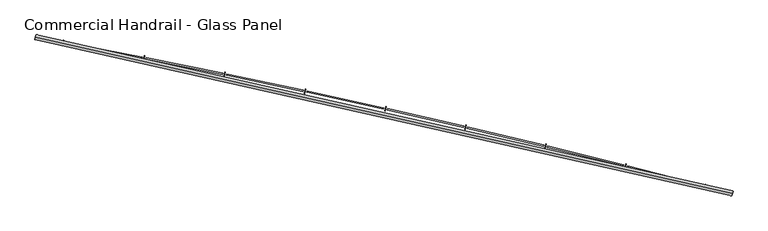
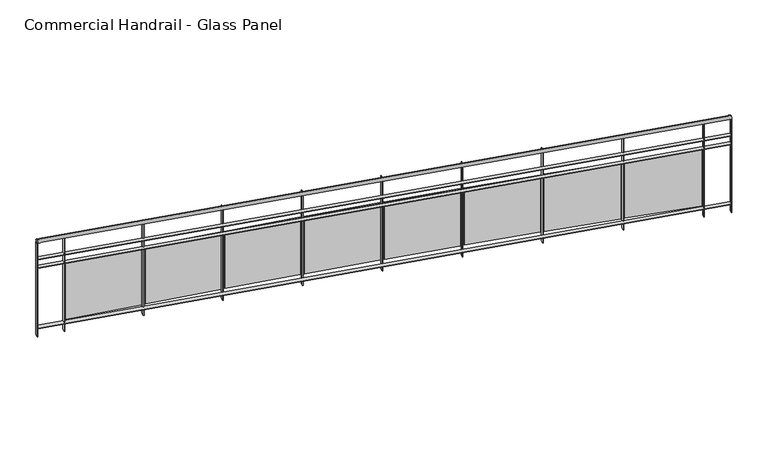
"""IFC4 building model written with IfcOpenShell, lengths in millimetres: railing geometry, Commercial Handrail - Glass Panel."""

from ifc_helpers import new_model, si_unit, point, frame, origin, place, context, project, spatial, polyline, circle_curve, ellipse_curve, trimmed, outline, extrude, source, transform, mapped, element, save
from ifc_brep_helpers import plane_surface, cylinder_surface, revolved_surface, advanced_brep


def commercial_handrail_glass_panel_0e33a287(model_context):
    return source(origin(), model_context, "Body", "SolidModel", [
        advanced_brep(
        [(147529.5593555, -11171.1779597, 16282.5), (140754.7489821, -9648.612099, 16282.5), (140754.7489821, -9648.612099, 16317.5), (147529.5593555, -11171.1779597, 16317.5)],
        [
            (0, 1, circle_curve(frame((123990.1653691, -100078.2018552, 16282.5), z_axis=(0.0, 0.0, 1.0), x_axis=(0.18228230158229036, 0.9832462369772197, 0.0)), 91970.4407253)),
            (1, 2, ellipse_curve(frame((140754.7489821, -9648.612099, 16300.0), z_axis=(0.9832462369772187, -0.18228230158229672, 0.0), x_axis=(-0.1822823015822967, -0.9832462369772185, 0.0)), 25.0, 17.5)),
            (2, 3, circle_curve(frame((123990.1653691, -100078.2018552, 16317.5), z_axis=(0.0, 0.0, -1.0), x_axis=(0.18228230158229036, 0.9832462369772197, 0.0)), 91970.4407253)),
            (3, 0, ellipse_curve(frame((147529.5593555, -11171.1779597, 16300.0), z_axis=(-0.9666912890096803, 0.2559452124045356, 0.0), x_axis=(-0.2559452124045356, -0.9666912890096803, 0.0)), 25.0, 17.5)),
            (2, 1, ellipse_curve(frame((140754.7489821, -9648.612099, 16300.0), z_axis=(0.9832462369772187, -0.18228230158229672, 0.0), x_axis=(-0.1822823015822967, -0.9832462369772185, 0.0)), 25.0, 17.5)),
            (0, 3, ellipse_curve(frame((147529.5593555, -11171.1779597, 16300.0), z_axis=(-0.9666912890096803, 0.2559452124045356, 0.0), x_axis=(-0.2559452124045356, -0.9666912890096803, 0.0)), 25.0, 17.5)),
        ],
        [
            revolved_surface(trimmed(ellipse_curve(frame((140754.7489821, -9648.612099, 16300.0), z_axis=(-0.9832462369772197, 0.18228230158229036, 0.0), x_axis=(0.0, 0.0, -1.0)), 17.5, 25.0), [point((140754.7489821, -9648.612099, 16317.5))], [point((140754.7489821, -9648.612099, 16282.5))], True, "CARTESIAN"), (123990.1653691, -100078.2018552, 16300.0), (0.0, 0.0, -1.0)),
            revolved_surface(trimmed(ellipse_curve(frame((140754.7489821, -9648.612099, 16300.0), z_axis=(-0.9832462369772197, 0.18228230158229036, 0.0), x_axis=(0.0, 0.0, -1.0)), 17.5, 25.0), [point((140754.7489821, -9648.612099, 16282.5))], [point((140754.7489821, -9648.612099, 16317.5))], True, "CARTESIAN"), (123990.1653691, -100078.2018552, 16300.0), (0.0, 0.0, -1.0)),
            plane_surface(frame((140754.7489821, -9648.612099, 16300.0), z_axis=(-0.9832462369772198, 0.1822823015822904, 0.0), x_axis=(0.1822823015822904, 0.9832462369772198, 0.0))),
            plane_surface(frame((147529.5593555, -11171.1779597, 16300.0), z_axis=(0.9666912890096803, -0.25594521240453566, 0.0), x_axis=(0.25594521240453566, 0.9666912890096803, 0.0))),
        ],
        [
            (0, [[1, 2, 3, 4]]),
            (1, [[-3, 5, -1, 6]]),
            (2, [[-2, -5]]),
            (3, [[-6, -4]]),
        ],
    ),
        advanced_brep(
        [(147535.3181228, -11149.4274057, 16100.0), (140758.8503338, -9626.4890586, 16100.0), (140750.6476303, -9670.7351393, 16100.0), (147523.8005882, -11192.9285137, 16100.0), (147535.3181228, -11149.4274057, 16094.0), (140758.8503338, -9626.4890586, 16094.0), (147523.8005882, -11192.9285137, 16094.0), (140750.6476303, -9670.7351393, 16094.0)],
        [
            (0, 1, circle_curve(frame((123990.1653691, -100078.2018552, 16100.0), z_axis=(0.0, 0.0, 1.0), x_axis=(0.18228230158229036, 0.9832462369772197, 0.0)), 91992.9407253)),
            (1, 2),
            (2, 3, circle_curve(frame((123990.1653691, -100078.2018552, 16100.0), z_axis=(0.0, 0.0, -1.0), x_axis=(0.18228230158229036, 0.9832462369772197, 0.0)), 91947.9407253)),
            (3, 0),
            (4, 5, circle_curve(frame((123990.1653691, -100078.2018552, 16094.0), z_axis=(0.0, 0.0, 1.0), x_axis=(0.18228230158229036, 0.9832462369772197, 0.0)), 91992.9407253)),
            (5, 1),
            (0, 4),
            (6, 7, circle_curve(frame((123990.1653691, -100078.2018552, 16094.0), z_axis=(0.0, 0.0, 1.0), x_axis=(0.18228230158229036, 0.9832462369772197, 0.0)), 91947.9407253)),
            (7, 5),
            (4, 6),
            (2, 7),
            (6, 3),
        ],
        [
            plane_surface(frame((123990.1653691, -100078.2018552, 16100.0), z_axis=(0.0, 0.0, 1.0), x_axis=(0.18228230158229036, 0.9832462369772197, 0.0))),
            cylinder_surface(frame((123990.1653691, -100078.2018552, 16100.0), z_axis=(0.0, 0.0, -1.0), x_axis=(0.18228230158229036, 0.9832462369772197, 0.0)), 91992.9407253),
            plane_surface(frame((123990.1653691, -100078.2018552, 16094.0), z_axis=(0.0, 0.0, -1.0), x_axis=(0.18228230158229036, 0.9832462369772197, 0.0))),
            revolved_surface(polyline([(140750.6476302597, -9670.735139244323, 16094.0), (140750.6476302597, -9670.735139244323, 16100.0)]), (123990.1653691, -100078.2018552, 16100.0), (0.0, 0.0, -1.0)),
            plane_surface(frame((140754.7489821, -9648.612099, 16100.0), z_axis=(-0.9832462369772198, 0.1822823015822904, 0.0), x_axis=(0.1822823015822904, 0.9832462369772198, 0.0))),
            plane_surface(frame((147529.5593555, -11171.1779597, 16100.0), z_axis=(0.9666912890096803, -0.25594521240453566, 0.0), x_axis=(0.25594521240453566, 0.9666912890096803, 0.0))),
        ],
        [
            (0, [[1, 2, 3, 4]]),
            (1, [[5, 6, -1, 7]]),
            (2, [[8, 9, -5, 10]]),
            (3, [[-3, 11, -8, 12]]),
            (4, [[-2, -6, -9, -11]]),
            (5, [[-12, -10, -7, -4]]),
        ],
    ),
        advanced_brep(
        [(147535.3181228, -11149.4274057, 16000.0), (140758.8503338, -9626.4890586, 16000.0), (140750.6476303, -9670.7351393, 16000.0), (147523.8005882, -11192.9285137, 16000.0), (147535.3181228, -11149.4274057, 15994.0), (140758.8503338, -9626.4890586, 15994.0), (147523.8005882, -11192.9285137, 15994.0), (140750.6476303, -9670.7351393, 15994.0)],
        [
            (0, 1, circle_curve(frame((123990.1653691, -100078.2018552, 16000.0), z_axis=(0.0, 0.0, 1.0), x_axis=(0.18228230158229036, 0.9832462369772197, 0.0)), 91992.9407253)),
            (1, 2),
            (2, 3, circle_curve(frame((123990.1653691, -100078.2018552, 16000.0), z_axis=(0.0, 0.0, -1.0), x_axis=(0.18228230158229036, 0.9832462369772197, 0.0)), 91947.9407253)),
            (3, 0),
            (4, 5, circle_curve(frame((123990.1653691, -100078.2018552, 15994.0), z_axis=(0.0, 0.0, 1.0), x_axis=(0.18228230158229036, 0.9832462369772197, 0.0)), 91992.9407253)),
            (5, 1),
            (0, 4),
            (6, 7, circle_curve(frame((123990.1653691, -100078.2018552, 15994.0), z_axis=(0.0, 0.0, 1.0), x_axis=(0.18228230158229036, 0.9832462369772197, 0.0)), 91947.9407253)),
            (7, 5),
            (4, 6),
            (2, 7),
            (6, 3),
        ],
        [
            plane_surface(frame((123990.1653691, -100078.2018552, 16000.0), z_axis=(0.0, 0.0, 1.0), x_axis=(0.18228230158229036, 0.9832462369772197, 0.0))),
            cylinder_surface(frame((123990.1653691, -100078.2018552, 16000.0), z_axis=(0.0, 0.0, -1.0), x_axis=(0.18228230158229036, 0.9832462369772197, 0.0)), 91992.9407253),
            plane_surface(frame((123990.1653691, -100078.2018552, 15994.0), z_axis=(0.0, 0.0, -1.0), x_axis=(0.18228230158229036, 0.9832462369772197, 0.0))),
            revolved_surface(polyline([(140750.6476302597, -9670.735139244323, 15994.0), (140750.6476302597, -9670.735139244323, 16000.0)]), (123990.1653691, -100078.2018552, 16000.0), (0.0, 0.0, -1.0)),
            plane_surface(frame((140754.7489821, -9648.612099, 16000.0), z_axis=(-0.9832462369772198, 0.1822823015822904, 0.0), x_axis=(0.1822823015822904, 0.9832462369772198, 0.0))),
            plane_surface(frame((147529.5593555, -11171.1779597, 16000.0), z_axis=(0.9666912890096803, -0.25594521240453566, 0.0), x_axis=(0.25594521240453566, 0.9666912890096803, 0.0))),
        ],
        [
            (0, [[1, 2, 3, 4]]),
            (1, [[5, 6, -1, 7]]),
            (2, [[8, 9, -5, 10]]),
            (3, [[-3, 11, -8, 12]]),
            (4, [[-2, -6, -9, -11]]),
            (5, [[-12, -10, -7, -4]]),
        ],
    ),
        advanced_brep(
        [(147535.3181228, -11149.4274057, 15300.0), (140758.8503338, -9626.4890586, 15300.0), (140750.6476303, -9670.7351393, 15300.0), (147523.8005882, -11192.9285137, 15300.0), (147535.3181228, -11149.4274057, 15294.0), (140758.8503338, -9626.4890586, 15294.0), (147523.8005882, -11192.9285137, 15294.0), (140750.6476303, -9670.7351393, 15294.0)],
        [
            (0, 1, circle_curve(frame((123990.1653691, -100078.2018552, 15300.0), z_axis=(0.0, 0.0, 1.0), x_axis=(0.18228230158229036, 0.9832462369772197, 0.0)), 91992.9407253)),
            (1, 2),
            (2, 3, circle_curve(frame((123990.1653691, -100078.2018552, 15300.0), z_axis=(0.0, 0.0, -1.0), x_axis=(0.18228230158229036, 0.9832462369772197, 0.0)), 91947.9407253)),
            (3, 0),
            (4, 5, circle_curve(frame((123990.1653691, -100078.2018552, 15294.0), z_axis=(0.0, 0.0, 1.0), x_axis=(0.18228230158229036, 0.9832462369772197, 0.0)), 91992.9407253)),
            (5, 1),
            (0, 4),
            (6, 7, circle_curve(frame((123990.1653691, -100078.2018552, 15294.0), z_axis=(0.0, 0.0, 1.0), x_axis=(0.18228230158229036, 0.9832462369772197, 0.0)), 91947.9407253)),
            (7, 5),
            (4, 6),
            (2, 7),
            (6, 3),
        ],
        [
            plane_surface(frame((123990.1653691, -100078.2018552, 15300.0), z_axis=(0.0, 0.0, 1.0), x_axis=(0.18228230158229036, 0.9832462369772197, 0.0))),
            cylinder_surface(frame((123990.1653691, -100078.2018552, 15300.0), z_axis=(0.0, 0.0, -1.0), x_axis=(0.18228230158229036, 0.9832462369772197, 0.0)), 91992.9407253),
            plane_surface(frame((123990.1653691, -100078.2018552, 15294.0), z_axis=(0.0, 0.0, -1.0), x_axis=(0.18228230158229036, 0.9832462369772197, 0.0))),
            revolved_surface(polyline([(140750.6476302597, -9670.735139244323, 15294.0), (140750.6476302597, -9670.735139244323, 15300.0)]), (123990.1653691, -100078.2018552, 15300.0), (0.0, 0.0, -1.0)),
            plane_surface(frame((140754.7489821, -9648.612099, 15300.0), z_axis=(-0.9832462369772198, 0.1822823015822904, 0.0), x_axis=(0.1822823015822904, 0.9832462369772198, 0.0))),
            plane_surface(frame((147529.5593555, -11171.1779597, 15300.0), z_axis=(0.9666912890096803, -0.25594521240453566, 0.0), x_axis=(0.25594521240453566, 0.9666912890096803, 0.0))),
        ],
        [
            (0, [[1, 2, 3, 4]]),
            (1, [[5, 6, -1, 7]]),
            (2, [[8, 9, -5, 10]]),
            (3, [[-3, 11, -8, 12]]),
            (4, [[-2, -6, -9, -11]]),
            (5, [[-12, -10, -7, -4]]),
        ],
    ),
        extrude(outline(polyline([(147257.221986, -11122.7754383), (147268.6104754, -11079.2403685), (147274.4151514, -11080.7588337), (147263.0266619, -11124.2939036), (147257.221986, -11122.7754383)])), frame((0.0, 0.0, 15200.0), z_axis=(0.0, 0.0, 1.0), x_axis=(1.0, 0.0, 0.0)), (0.0, 0.0, 1.0), 1082.1192282),
        extrude(outline(polyline([(146512.0701942, -10900.9970799), (147248.1587203, -11090.1363983), (147245.17231, -11101.7588487), (146509.0837839, -10912.6195303), (146512.0701942, -10900.9970799)])), frame((0.0, 0.0, 15320.0), z_axis=(0.0, 0.0, 1.0), x_axis=(1.0, 0.0, 0.0)), (0.0, 0.0, 1.0), 660.0),
        extrude(outline(polyline([(146482.5774638, -10923.7560279), (146493.5868397, -10880.1235441), (146499.4045042, -10881.5914608), (146488.3951283, -10925.2239446), (146482.5774638, -10923.7560279)])), frame((0.0, 0.0, 15200.0), z_axis=(0.0, 0.0, 1.0), x_axis=(1.0, 0.0, 0.0)), (0.0, 0.0, 1.0), 1082.1192282),
        extrude(outline(polyline([(145735.524759, -10708.4676411), (146473.2306356, -10891.1970579), (146470.3454342, -10902.8450454), (145732.6395577, -10720.1156287), (145735.524759, -10708.4676411)])), frame((0.0, 0.0, 15320.0), z_axis=(0.0, 0.0, 1.0), x_axis=(1.0, 0.0, 0.0)), (0.0, 0.0, 1.0), 660.0),
        extrude(outline(polyline([(145706.2311094, -10731.4822658), (145716.8605387, -10687.7556694), (145722.6907516, -10689.1729267), (145712.0613222, -10732.8995231), (145706.2311094, -10731.4822658)])), frame((0.0, 0.0, 15200.0), z_axis=(0.0, 0.0, 1.0), x_axis=(1.0, 0.0, 0.0)), (0.0, 0.0, 1.0), 1082.1192282),
        extrude(outline(polyline([(144957.3340156, -10522.7001401), (145696.6014259, -10699.0058295), (145693.8176518, -10710.6784728), (144954.5502416, -10534.3727835), (144957.3340156, -10522.7001401)])), frame((0.0, 0.0, 15320.0), z_axis=(0.0, 0.0, 1.0), x_axis=(1.0, 0.0, 0.0)), (0.0, 0.0, 1.0), 660.0),
        extrude(outline(polyline([(144928.2416631, -10545.9687002), (144938.4903417, -10502.1512997), (144944.3326617, -10503.5177901), (144934.0839832, -10547.3351907), (144928.2416631, -10545.9687002)])), frame((0.0, 0.0, 15200.0), z_axis=(0.0, 0.0, 1.0), x_axis=(1.0, 0.0, 0.0)), (0.0, 0.0, 1.0), 1082.1192282),
        extrude(outline(polyline([(144177.5568437, -10343.7086325), (144918.3298529, -10513.5772547), (144915.6477168, -10525.2736707), (144174.8747076, -10355.4050484), (144177.5568437, -10343.7086325)])), frame((0.0, 0.0, 15320.0), z_axis=(0.0, 0.0, 1.0), x_axis=(1.0, 0.0, 0.0)), (0.0, 0.0, 1.0), 660.0),
        extrude(outline(polyline([(144148.6679896, -10367.2293674), (144158.5351419, -10323.324478), (144164.3891271, -10324.6400983), (144154.5219749, -10368.5449877), (144148.6679896, -10367.2293674)])), frame((0.0, 0.0, 15200.0), z_axis=(0.0, 0.0, 1.0), x_axis=(1.0, 0.0, 0.0)), (0.0, 0.0, 1.0), 1082.1192282),
        extrude(outline(polyline([(143396.2522433, -10171.5066611), (144138.4748027, -10334.9253636), (144135.8945074, -10346.6446671), (143393.671948, -10183.2259647), (143396.2522433, -10171.5066611)])), frame((0.0, 0.0, 15320.0), z_axis=(0.0, 0.0, 1.0), x_axis=(1.0, 0.0, 0.0)), (0.0, 0.0, 1.0), 660.0),
        extrude(outline(polyline([(143367.5690734, -10195.2777912), (143377.0539528, -10151.288735), (143382.9191603, -10152.5533856), (143373.4342809, -10196.5424418), (143367.5690734, -10195.2777912)])), frame((0.0, 0.0, 15200.0), z_axis=(0.0, 0.0, 1.0), x_axis=(1.0, 0.0, 0.0)), (0.0, 0.0, 1.0), 1082.1192282),
        extrude(outline(polyline([(142613.4793297, -10006.1072553), (143357.0952809, -10163.0636733), (143354.6170217, -10174.8049778), (142611.0010705, -10017.8485598), (142613.4793297, -10006.1072553)])), frame((0.0, 0.0, 15320.0), z_axis=(0.0, 0.0, 1.0), x_axis=(1.0, 0.0, 0.0)), (0.0, 0.0, 1.0), 660.0),
        extrude(outline(polyline([(142585.0040143, -10030.126982), (142594.1059033, -9986.0570873), (142599.9818892, -9987.2706725), (142590.8800002, -10031.3405672), (142585.0040143, -10030.126982)])), frame((0.0, 0.0, 15200.0), z_axis=(0.0, 0.0, 1.0), x_axis=(1.0, 0.0, 0.0)), (0.0, 0.0, 1.0), 1082.1192282),
        extrude(outline(polyline([(141829.2973297, -9847.5229296), (142574.2504088, -9998.0051873), (142571.8743732, -10009.7676044), (141826.921294, -9859.2853466), (141829.2973297, -9847.5229296)])), frame((0.0, 0.0, 15320.0), z_axis=(0.0, 0.0, 1.0), x_axis=(1.0, 0.0, 0.0)), (0.0, 0.0, 1.0), 660.0),
        extrude(outline(polyline([(141801.0320231, -9871.7894354), (141809.750233, -9827.6420367), (141815.6365528, -9828.8044646), (141806.918343, -9872.9518634), (141801.0320231, -9871.7894354)])), frame((0.0, 0.0, 15200.0), z_axis=(0.0, 0.0, 1.0), x_axis=(1.0, 0.0, 0.0)), (0.0, 0.0, 1.0), 1082.1192282),
        extrude(outline(polyline([(141043.7655762, -9695.7656828), (141789.9994183, -9839.7623945), (141787.725786, -9851.5450341), (141041.491944, -9707.5483224), (141043.7655762, -9695.7656828)])), frame((0.0, 0.0, 15320.0), z_axis=(0.0, 0.0, 1.0), x_axis=(1.0, 0.0, 0.0)), (0.0, 0.0, 1.0), 660.0),
        extrude(outline(polyline([(141015.7124173, -9720.2771318), (141024.0462883, -9676.0555692), (141029.9424967, -9677.166752), (141021.6086256, -9721.3883146), (141015.7124173, -9720.2771318)])), frame((0.0, 0.0, 15200.0), z_axis=(0.0, 0.0, 1.0), x_axis=(1.0, 0.0, 0.0)), (0.0, 0.0, 1.0), 1082.1192282),
        extrude(outline(polyline([(147520.9005143, -11192.1606781), (147532.4180489, -11148.6595701), (147538.2181966, -11150.1952413), (147526.7006621, -11193.6963494), (147520.9005143, -11192.1606781)])), frame((0.0, 0.0, 15200.0), z_axis=(0.0, 0.0, 1.0), x_axis=(1.0, 0.0, 0.0)), (0.0, 0.0, 1.0), 1082.1192282),
        extrude(outline(polyline([(140747.6978916, -9670.1882924), (140755.9005951, -9625.9422117), (140761.8000726, -9627.0359055), (140753.597369, -9671.2819862), (140747.6978916, -9670.1882924)])), frame((0.0, 0.0, 15200.0), z_axis=(0.0, 0.0, 1.0), x_axis=(1.0, 0.0, 0.0)), (0.0, 0.0, 1.0), 1082.1192282),
    ])


if __name__ == "__main__":
    model = new_model("IFC4")
    model_context = context("Model", 3, world=origin())
    ifc_project = project(units=[si_unit("LENGTHUNIT", "METRE", prefix="MILLI")], contexts=[model_context])
    site = spatial("IfcSite", under=ifc_project)
    building = spatial("IfcBuilding", under=site)
    placement = place(None, origin())
    commercial_handrail_glass_panel_shape = commercial_handrail_glass_panel_0e33a287(model_context)
    element("IfcRailing", 1, ObjectType="Commercial Handrail - Glass Panel", at=placement, inside=building, context=model_context, shape_type="MappedRepresentation", body=[
        mapped(commercial_handrail_glass_panel_shape, transform((0.0, 0.0, 0.0), x_axis=(1.0, 0.0, 0.0), y_axis=(0.0, 1.0, 0.0), z_axis=(0.0, 0.0, 1.0))),
    ])
    save(model, "model.ifc")
